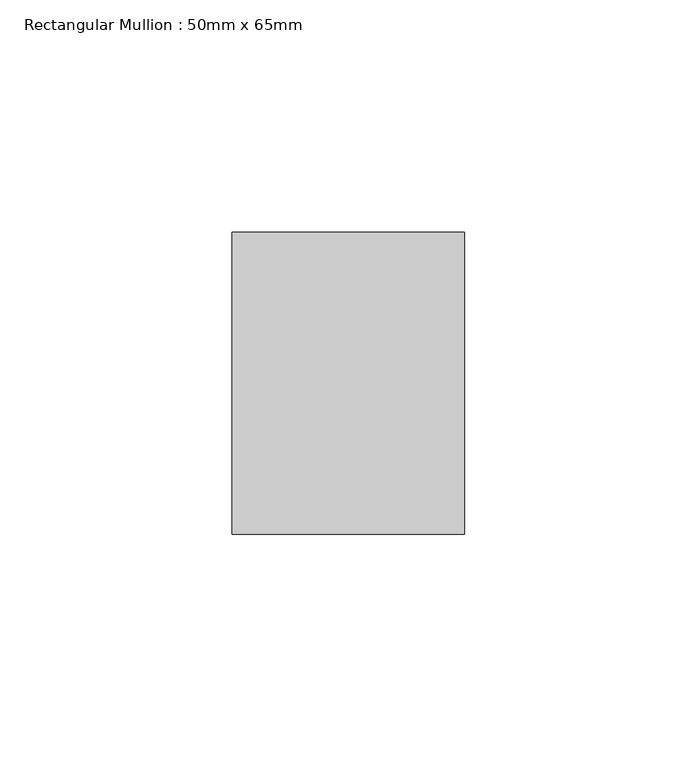
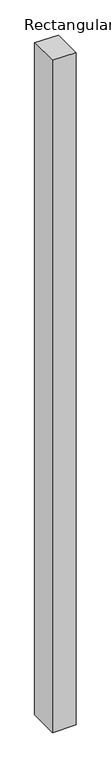
"""IFC4 building model written with IfcOpenShell, lengths in millimetres: member geometry, Rectangular Mullion : 50mm x 65mm."""

from ifc_helpers import new_model, si_unit, origin, place, context, project, spatial, faceted_brep, source, transform, mapped, element, save


def rectangular_mullion_50mm_x_65mm_53a45adc(model_context):
    return source(origin(), model_context, "Body", "Brep", [
        faceted_brep([(-25.0, 32.5, -0.1835726), (25.0, 32.5, -0.1835712), (25.0, 32.5, -1499.7335624), (-25.0, 32.5, -1499.7335605), (-25.0, -32.5, 0.1835712), (-25.0, -32.5, -1500.2664557), (25.0, -32.5, 0.1835726), (25.0, -32.5, -1500.2664576)], [[[0, 1, 2, 3]], [[4, 0, 3, 5]], [[6, 4, 5, 7]], [[1, 6, 7, 2]], [[1, 0, 4, 6]], [[2, 7, 5, 3]]]),
    ])


if __name__ == "__main__":
    model = new_model("IFC4")
    model_context = context("Model", 3, world=origin())
    ifc_project = project(units=[si_unit("LENGTHUNIT", "METRE", prefix="MILLI")], contexts=[model_context])
    site = spatial("IfcSite", under=ifc_project)
    building = spatial("IfcBuilding", under=site)
    placement = place(None, origin())
    rectangular_mullion_50mm_x_65mm_shape = rectangular_mullion_50mm_x_65mm_53a45adc(model_context)
    element("IfcMember", 1, ObjectType="Rectangular Mullion : 50mm x 65mm", at=placement, inside=building, context=model_context, shape_type="MappedRepresentation", body=[
        mapped(rectangular_mullion_50mm_x_65mm_shape, transform((0.0, 0.0, 0.0), x_axis=(1.0, 0.0, 0.0), y_axis=(0.0, 1.0, 0.0), z_axis=(0.0, 0.0, 1.0))),
    ])
    save(model, "model.ifc")
